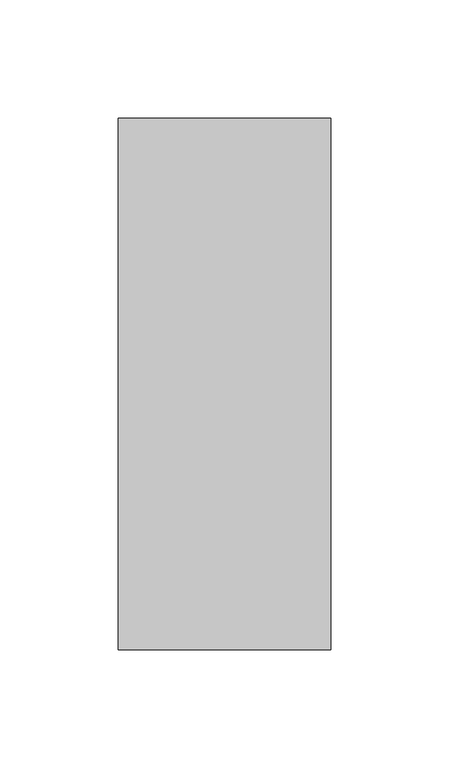
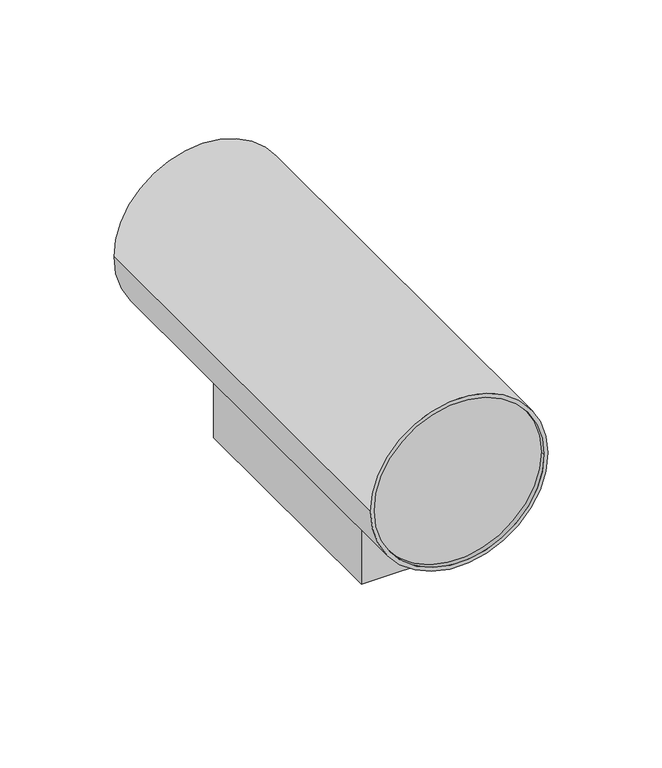
"""IFC4 building model written with IfcOpenShell, lengths in millimetres: light fixture geometry."""

from ifc_helpers import new_model, si_unit, point, frame, frame_2d, origin, origin_with_axes, place, context, project, spatial, polyline, circle_curve, trimmed, segment, composite_curve, outline, extrude, source, transform, mapped, element, save


def light_fixture_a1e65eef(model_context):
    return source(origin(), model_context, "Body", "SweptSolid", [
        extrude(outline(composite_curve([segment(trimmed(circle_curve(frame_2d((76.1062007, 0.0)), 43.0), [point((76.1062007, 43.0))], [point((76.1062007, -43.0))], False, "CARTESIAN"), True, "CONTINUOUS"), segment(trimmed(circle_curve(frame_2d((76.1062007, 0.0)), 43.0), [point((76.1062007, -43.0))], [point((76.1062007, 43.0))], False, "CARTESIAN"), True, "CONTINUOUS")], self_intersect=False)), frame((0.0, 97.8627711, 0.0), z_axis=(0.0, 1.0, 0.0), x_axis=(0.0, 0.0, 1.0)), (0.0, 0.0, 1.0), 7.6330102),
        extrude(outline(polyline([(21.8638387, 65.0182103), (21.8638387, -64.4923179), (-21.8638387, -64.4923179), (-21.8638387, 65.0182103), (21.8638387, 65.0182103)])), origin_with_axes(), (0.0, 0.0, 1.0), 39.3562007),
        extrude(outline(composite_curve([segment(trimmed(circle_curve(frame_2d((76.1062007, 0.0)), 43.0), [point((76.1062007, 43.0))], [point((76.1062007, -43.0))], False, "CARTESIAN"), True, "CONTINUOUS"), segment(trimmed(circle_curve(frame_2d((76.1062007, 0.0)), 43.0), [point((76.1062007, -43.0))], [point((76.1062007, 43.0))], False, "CARTESIAN"), True, "CONTINUOUS")], self_intersect=False)), frame((0.0, -110.0486445, 0.0), z_axis=(0.0, 1.0, 0.0), x_axis=(0.0, 0.0, 1.0)), (0.0, 0.0, 1.0), 8.5427179),
        extrude(outline(composite_curve([segment(trimmed(circle_curve(frame_2d((76.1062007, 0.0)), 45.0), [point((76.1062007, -45.0))], [point((76.1062007, 45.0))], False, "CARTESIAN"), True, "CONTINUOUS"), segment(trimmed(circle_curve(frame_2d((76.1062007, 0.0)), 45.0), [point((76.1062007, 45.0))], [point((76.1062007, -45.0))], False, "CARTESIAN"), True, "CONTINUOUS")], self_intersect=False), holes=[composite_curve([segment(trimmed(circle_curve(frame_2d((76.1062007, 0.0)), 43.0), [point((76.1062007, -43.0))], [point((76.1062007, 43.0))], True, "CARTESIAN"), True, "CONTINUOUS"), segment(trimmed(circle_curve(frame_2d((76.1062007, 0.0)), 43.0), [point((76.1062007, 43.0))], [point((76.1062007, -43.0))], True, "CARTESIAN"), True, "CONTINUOUS")], self_intersect=False)]), frame((0.0, -112.5, 0.0), z_axis=(0.0, 1.0, 0.0), x_axis=(0.0, 0.0, 1.0)), (0.0, 0.0, 1.0), 225.0),
    ])


if __name__ == "__main__":
    model = new_model("IFC4")
    model_context = context("Model", 3, world=origin())
    ifc_project = project(units=[si_unit("LENGTHUNIT", "METRE", prefix="MILLI")], contexts=[model_context])
    site = spatial("IfcSite", under=ifc_project)
    building = spatial("IfcBuilding", under=site)
    placement = place(None, origin())
    light_fixture_shape = light_fixture_a1e65eef(model_context)
    element("IfcLightFixture", 1, at=placement, inside=building, context=model_context, shape_type="MappedRepresentation", body=[
        mapped(light_fixture_shape, transform((0.0, 0.0, 0.0), x_axis=(1.0, 0.0, 0.0), y_axis=(0.0, 1.0, 0.0), z_axis=(0.0, 0.0, 1.0))),
    ])
    save(model, "model.ifc")
